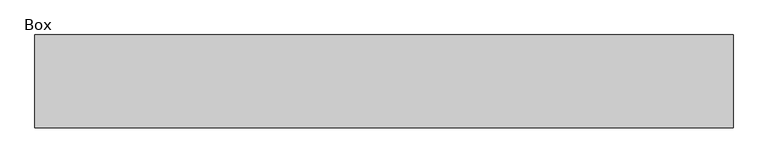
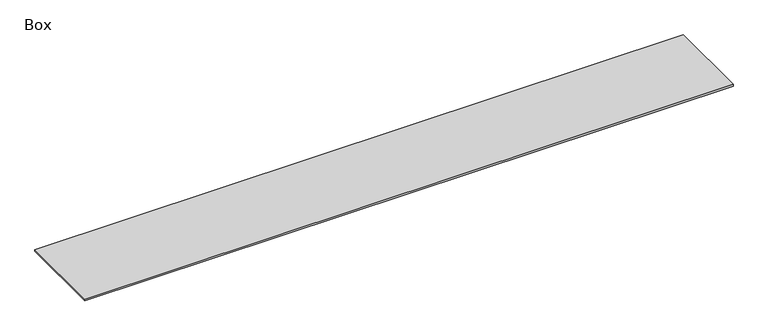
"""IFC4 building model written with IfcOpenShell, lengths in millimetres: furniture geometry, Box."""

from ifc_helpers import new_model, si_unit, origin, origin_with_axes, place, context, project, spatial, polyline, outline, extrude, source, transform, mapped, element, save


def box_5d53fe27(model_context):
    return source(origin(), model_context, "Body", "SweptSolid", [
        extrude(outline(polyline([(2501.9, 105.0465234), (2501.9, -504.5534766), (-2070.1, -504.5534766), (-2070.1, 105.0465234), (2501.9, 105.0465234)])), origin_with_axes(), (0.0, 0.0, 1.0), 12.7),
    ])


if __name__ == "__main__":
    model = new_model("IFC4")
    model_context = context("Model", 3, world=origin())
    ifc_project = project(units=[si_unit("LENGTHUNIT", "METRE", prefix="MILLI")], contexts=[model_context])
    site = spatial("IfcSite", under=ifc_project)
    building = spatial("IfcBuilding", under=site)
    placement = place(None, origin())
    box_shape = box_5d53fe27(model_context)
    element("IfcFurniture", 1, ObjectType="Box", at=placement, inside=building, context=model_context, shape_type="MappedRepresentation", body=[
        mapped(box_shape, transform((0.0, 0.0, 0.0), x_axis=(1.0, 0.0, 0.0), y_axis=(0.0, 1.0, 0.0), z_axis=(0.0, 0.0, 1.0))),
    ])
    save(model, "model.ifc")
